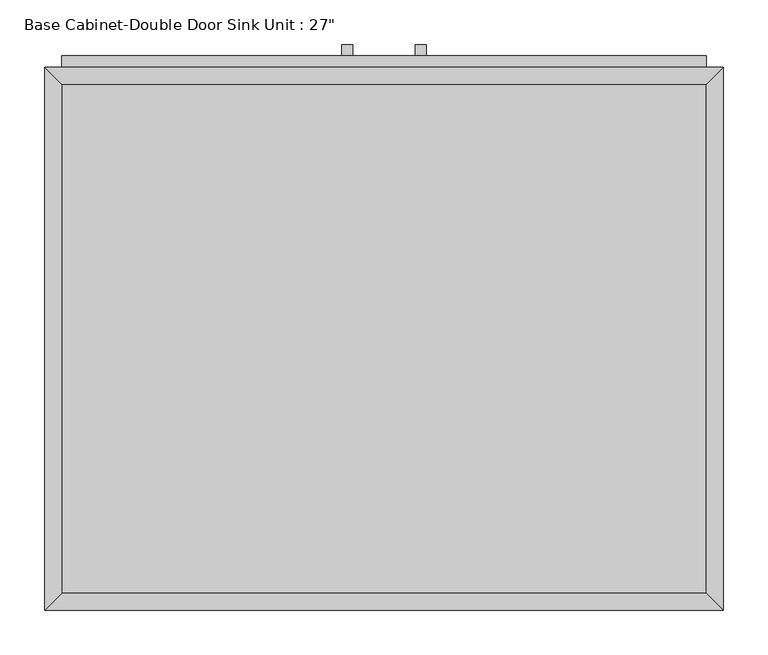
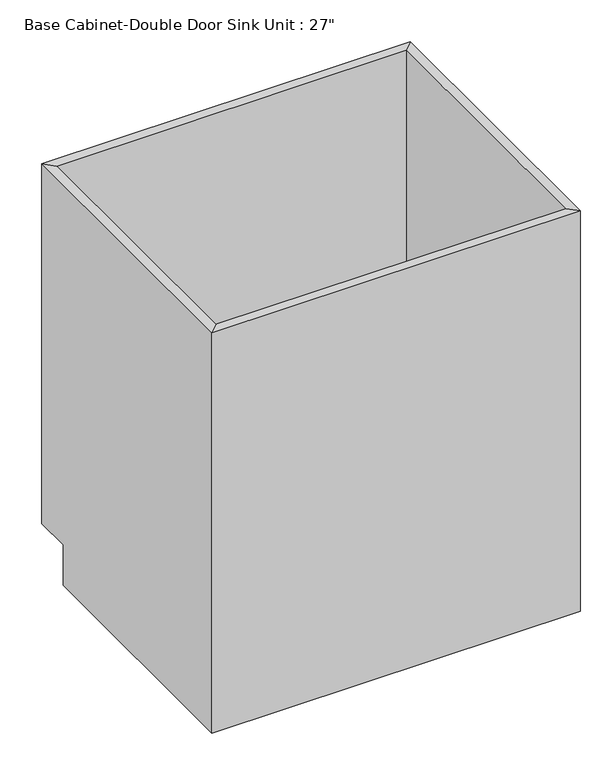
"""IFC4 building model written with IfcOpenShell, lengths in millimetres: furniture geometry."""

from ifc_helpers import new_model, si_unit, frame, origin, place, context, project, spatial, polyline, outline, extrude, faceted_brep, source, transform, mapped, element, save


def furniture_2feb49e6(model_context):
    return source(origin(), model_context, "Body", "SolidModel", [
        faceted_brep([(380.6877049, 590.55, 876.3), (-343.2122951, 590.55, 876.3), (-343.2122951, 590.55, 88.9), (380.6877049, 590.55, 88.9), (399.7377049, 609.6, 876.3), (-362.2622951, 609.6, 876.3), (399.7377049, 609.6, 88.9), (-362.2622951, 609.6, 88.9), (-343.2122951, 19.05, 876.3), (-343.2122951, 19.05, 88.9), (-343.2122951, 533.4, 88.9), (-362.2622951, 0.0, 876.3), (-362.2622951, 533.4, 88.9), (-362.2622951, 533.4, 0.0), (-362.2622951, 0.0, 0.0), (380.6877049, 19.05, 876.3), (380.6877049, 19.05, 88.9), (399.7377049, 0.0, 876.3), (399.7377049, 0.0, 0.0), (380.6877049, 533.4, 88.9), (399.7377049, 533.4, 0.0), (399.7377049, 533.4, 88.9)], [[[0, 1, 2, 3]], [[0, 4, 5, 1]], [[4, 6, 7, 5]], [[2, 7, 6, 3]], [[1, 8, 9, 10, 2]], [[5, 11, 8, 1]], [[7, 12, 13, 14, 11, 5]], [[2, 10, 12, 7]], [[8, 15, 16, 9]], [[11, 17, 15, 8]], [[14, 18, 17, 11]], [[3, 19, 16, 15, 0]], [[0, 15, 17, 4]], [[4, 17, 18, 20, 21, 6]], [[6, 21, 19, 3]], [[10, 9, 16, 19]], [[18, 14, 13, 20]], [[13, 12, 10, 19, 21, 20]]]),
        extrude(outline(polyline([(-16.1872951, 635.0), (-16.1872951, 622.3), (-28.8872951, 622.3), (-28.8872951, 635.0), (-16.1872951, 635.0)])), frame((0.0, 0.0, 573.769895), z_axis=(0.0, 0.0, 1.0), x_axis=(1.0, 0.0, 0.0)), (0.0, 0.0, 1.0), 124.730105),
        extrude(outline(polyline([(66.3627049, 635.0), (66.3627049, 622.3), (53.6627049, 622.3), (53.6627049, 635.0), (66.3627049, 635.0)])), frame((0.0, 0.0, 573.769895), z_axis=(0.0, 0.0, 1.0), x_axis=(1.0, 0.0, 0.0)), (0.0, 0.0, 1.0), 124.730105),
        extrude(outline(polyline([(380.6877049, 19.05), (-343.2122951, 19.05), (-343.2122951, 590.55), (380.6877049, 590.55), (380.6877049, 19.05)])), frame((0.0, 0.0, 88.9), z_axis=(0.0, 0.0, 1.0), x_axis=(1.0, 0.0, 0.0)), (0.0, 0.0, 1.0), 19.05),
        extrude(outline(polyline([(9.2127049, 622.3), (9.2127049, 609.6), (-343.2122951, 609.6), (-343.2122951, 622.3), (9.2127049, 622.3)])), frame((0.0, 0.0, 107.95), z_axis=(0.0, 0.0, 1.0), x_axis=(1.0, 0.0, 0.0)), (0.0, 0.0, 1.0), 628.65),
        extrude(outline(polyline([(380.6877049, 622.3), (380.6877049, 609.6), (28.2627049, 609.6), (28.2627049, 622.3), (380.6877049, 622.3)])), frame((0.0, 0.0, 107.95), z_axis=(0.0, 0.0, 1.0), x_axis=(1.0, 0.0, 0.0)), (0.0, 0.0, 1.0), 628.65),
        extrude(outline(polyline([(380.6877049, 622.3), (380.6877049, 609.6), (-343.2122951, 609.6), (-343.2122951, 622.3), (380.6877049, 622.3)])), frame((0.0, 0.0, 755.65), z_axis=(0.0, 0.0, 1.0), x_axis=(1.0, 0.0, 0.0)), (0.0, 0.0, 1.0), 101.6),
    ])


if __name__ == "__main__":
    model = new_model("IFC4")
    model_context = context("Model", 3, world=origin())
    ifc_project = project(units=[si_unit("LENGTHUNIT", "METRE", prefix="MILLI")], contexts=[model_context])
    site = spatial("IfcSite", under=ifc_project)
    building = spatial("IfcBuilding", under=site)
    placement = place(None, origin())
    furniture_shape = furniture_2feb49e6(model_context)
    element("IfcFurniture", 1, ObjectType="Base Cabinet-Double Door Sink Unit : 27\"", at=placement, inside=building, context=model_context, shape_type="MappedRepresentation", body=[
        mapped(furniture_shape, transform((0.0, 0.0, 0.0), x_axis=(1.0, 0.0, 0.0), y_axis=(0.0, 1.0, 0.0), z_axis=(0.0, 0.0, 1.0))),
    ])
    save(model, "model.ifc")
